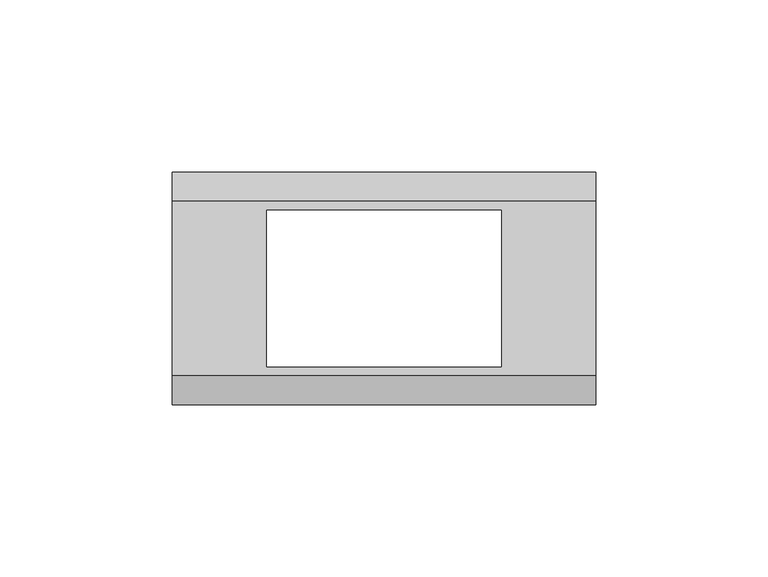
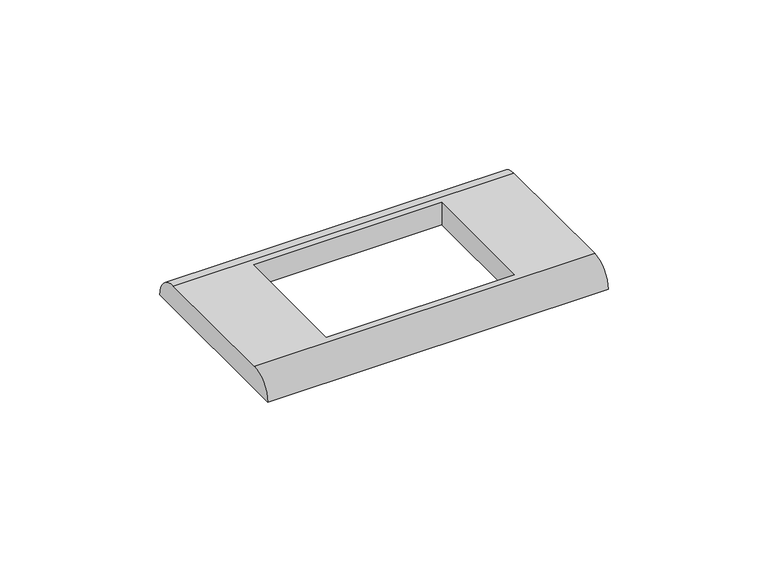
"""IFC4 building model written with IfcOpenShell, lengths in millimetres: proxy geometry."""

from ifc_helpers import new_model, si_unit, frame, origin, place, context, project, spatial, circle_curve, source, transform, mapped, element, save
from ifc_brep_helpers import plane_surface, cylinder_surface, advanced_brep


def electrical_fixtures_6265c5da(model_context):
    return source(origin(), model_context, "Body", "AdvancedBrep", [
        advanced_brep(
        [(61.5, 25.25, 8.5), (-61.5, 25.25, 8.5), (-61.5, -25.25, 8.5), (61.5, -25.25, 8.5), (-34.0, 22.75, 8.5), (34.0, 22.75, 8.5), (34.0, -22.75, 8.5), (-34.0, -22.75, 8.5), (61.5, 33.75, 0.0), (61.5, -33.75, 0.0), (-61.5, -33.75, 0.0), (-61.5, 33.75, 0.0), (34.0, 22.75, 0.0), (-34.0, 22.75, 0.0), (-34.0, -22.75, 0.0), (34.0, -22.75, 0.0)],
        [
            (0, 1),
            (1, 2),
            (2, 3),
            (3, 0),
            (4, 5),
            (5, 6),
            (6, 7),
            (7, 4),
            (8, 9),
            (9, 10),
            (10, 11),
            (11, 8),
            (12, 13),
            (13, 14),
            (14, 15),
            (15, 12),
            (10, 2, circle_curve(frame((-61.5, -25.25, 0.0), z_axis=(-1.0, 0.0, 0.0), x_axis=(0.0, 1.0, 0.0)), 8.5)),
            (1, 11, circle_curve(frame((-61.5, 25.25, 0.0), z_axis=(-1.0, 0.0, 0.0), x_axis=(0.0, -1.0, 0.0)), 8.5)),
            (8, 0, circle_curve(frame((61.5, 25.25, 0.0), z_axis=(1.0, 0.0, 0.0), x_axis=(0.0, -1.0, 0.0)), 8.5)),
            (3, 9, circle_curve(frame((61.5, -25.25, 0.0), z_axis=(1.0, 0.0, 0.0), x_axis=(0.0, 1.0, 0.0)), 8.5)),
            (4, 13),
            (12, 5),
            (7, 14),
            (6, 15),
        ],
        [
            plane_surface(frame((-61.5, 48.25, 8.5), z_axis=(0.0, 0.0, 1.0), x_axis=(0.0, -1.0, 0.0))),
            plane_surface(frame((-61.5, 48.25, 0.0), z_axis=(0.0, 0.0, -1.0), x_axis=(0.0, 1.0, 0.0))),
            plane_surface(frame((-61.5, 33.75, 8.5), z_axis=(-1.0, 0.0, 0.0), x_axis=(0.0, 0.0, -1.0))),
            plane_surface(frame((61.5, -33.75, 8.5), z_axis=(1.0, 0.0, 0.0), x_axis=(0.0, 0.0, -1.0))),
            plane_surface(frame((34.0, 22.75, 8.5), z_axis=(0.0, -1.0, 0.0), x_axis=(0.0, 0.0, -1.0))),
            plane_surface(frame((-34.0, 22.75, 8.5), z_axis=(1.0, 0.0, 0.0), x_axis=(0.0, 0.0, -1.0))),
            plane_surface(frame((-34.0, -22.75, 8.5), z_axis=(0.0, 1.0, 0.0), x_axis=(0.0, 0.0, -1.0))),
            plane_surface(frame((34.0, -22.75, 8.5), z_axis=(-1.0, 0.0, 0.0), x_axis=(0.0, 0.0, -1.0))),
            cylinder_surface(frame((61.5, 25.25, 0.0), z_axis=(-1.0, 0.0, 0.0), x_axis=(0.0, -1.0, 0.0)), 8.5),
            cylinder_surface(frame((61.5, -25.25, 0.0), z_axis=(-1.0, 0.0, 0.0), x_axis=(0.0, 1.0, 0.0)), 8.5),
        ],
        [
            (0, [[1, 2, 3, 4], [5, 6, 7, 8]]),
            (1, [[9, 10, 11, 12], [13, 14, 15, 16]]),
            (2, [[-11, 17, -2, 18]]),
            (3, [[-9, 19, -4, 20]]),
            (4, [[21, -13, 22, -5]]),
            (5, [[-21, -8, 23, -14]]),
            (6, [[-23, -7, 24, -15]]),
            (7, [[-22, -16, -24, -6]]),
            (8, [[-1, -19, -12, -18]]),
            (9, [[-3, -17, -10, -20]]),
        ],
    ),
    ])


if __name__ == "__main__":
    model = new_model("IFC4")
    model_context = context("Model", 3, world=origin())
    ifc_project = project(units=[si_unit("LENGTHUNIT", "METRE", prefix="MILLI")], contexts=[model_context])
    site = spatial("IfcSite", under=ifc_project)
    building = spatial("IfcBuilding", under=site)
    placement = place(None, origin())
    electrical_fixtures_shape = electrical_fixtures_6265c5da(model_context)
    element("IfcBuildingElementProxy", 1, Name="Electrical Fixtures", at=placement, inside=building, context=model_context, shape_type="MappedRepresentation", body=[
        mapped(electrical_fixtures_shape, transform((0.0, 0.0, 0.0), x_axis=(1.0, 0.0, 0.0), y_axis=(0.0, 1.0, 0.0), z_axis=(0.0, 0.0, 1.0))),
    ])
    save(model, "model.ifc")
